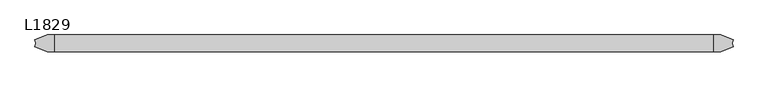
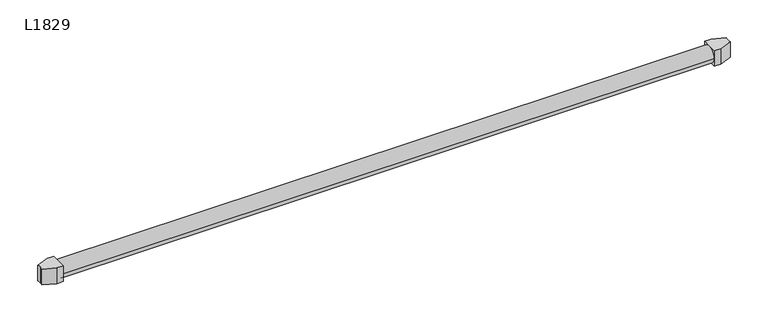
"""IFC4 building model written with IfcOpenShell, lengths in millimetres: proxy geometry, L1829."""

import ifcopenshell
import ifcopenshell.guid

model = None  # the IFC model being written
_history = None  # IfcOwnerHistory: only IFC2X3 demands one
_inside = {}  # id of a spatial element -> (the spatial element, [elements in it])
_under = {}  # id of a project, library or spatial element -> (it, [spatial elements below it])
_declared = {}  # id of a project -> (the project, [libraries it declares])
_typed = {}  # id of a type object -> (the type object, [elements of that type])
_made_of = {}  # id of a material, layer set ... -> (it, [elements and type objects made of it])


def new_model(schema):
    """Start an empty IFC model of exactly this schema.

    Asked for "IFC4X3", IfcOpenShell would pick the latest addendum, in which some entities
    have other attributes; the version numbers below select the first issue.
    IFC2X3 requires an IfcOwnerHistory on every rooted entity: one is made here for all.
    """
    global model, _history
    if schema == "IFC4X3":
        model = ifcopenshell.file(schema_version=(4, 3, 0, 0))
    else:
        model = ifcopenshell.file(schema=schema)
    _inside.clear()
    _under.clear()
    _declared.clear()
    _typed.clear()
    _made_of.clear()
    _history = None
    if model.schema == "IFC2X3":
        org = make("IfcOrganization", Name="unknown")
        user = make(
            "IfcPersonAndOrganization",
            ThePerson=make("IfcPerson", FamilyName="unknown"),
            TheOrganization=org,
        )
        app = make(
            "IfcApplication",
            ApplicationDeveloper=org,
            Version="unknown",
            ApplicationFullName="unknown",
            ApplicationIdentifier="unknown",
        )
        _history = make(
            "IfcOwnerHistory",
            OwningUser=user,
            OwningApplication=app,
            ChangeAction="ADDED",
            CreationDate=0,
        )
    return model


def make(cls, **values):
    """One entity of the class cls with the attributes given. An attribute that is None is left unset."""
    return model.create_entity(
        cls, **{name: value for name, value in values.items() if value is not None}
    )


def rooted(cls, **values):
    """An entity with a GlobalId (a new one), such as an element, a storey or a relation."""
    return make(cls, GlobalId=ifcopenshell.guid.new(), OwnerHistory=_history, **values)


def si_unit(unit_type, name, prefix=None):
    """IfcSIUnit, for example si_unit("LENGTHUNIT", "METRE", prefix="MILLI")."""
    return make("IfcSIUnit", UnitType=unit_type, Prefix=prefix, Name=name)


def assignment(units):
    """IfcUnitAssignment: the units of a project."""
    return None if units is None else make("IfcUnitAssignment", Units=units)


def point(xyz):
    """IfcCartesianPoint."""
    return None if xyz is None else make("IfcCartesianPoint", Coordinates=xyz)


def direction(xyz):
    """IfcDirection."""
    return None if xyz is None else make("IfcDirection", DirectionRatios=xyz)


def frame(location, z_axis=None, x_axis=None):
    """IfcAxis2Placement3D, a coordinate frame: its origin and axes. An axis left out is left unset."""
    return make(
        "IfcAxis2Placement3D",
        Location=point(location),
        Axis=direction(z_axis),
        RefDirection=direction(x_axis),
    )


def frame_2d(location, x_axis=None):
    """IfcAxis2Placement2D, a coordinate frame in the plane: its origin and x axis."""
    return make(
        "IfcAxis2Placement2D", Location=point(location), RefDirection=direction(x_axis)
    )


def origin():
    """The frame at (0, 0, 0) with its axes left unset."""
    return frame((0.0, 0.0, 0.0))


def origin_2d():
    """The frame at (0, 0) in the plane with its x axis left unset."""
    return frame_2d((0.0, 0.0))


def place(relative_to, where):
    """IfcLocalPlacement: puts the frame where relative to a parent placement (None: the world)."""
    return make(
        "IfcLocalPlacement", PlacementRelTo=relative_to, RelativePlacement=where
    )


def context(
    kind, dimensions, precision=None, world=None, true_north=None, identifier=None
):
    """IfcGeometricRepresentationContext, for example the 3D "Model" context."""
    return make(
        "IfcGeometricRepresentationContext",
        ContextIdentifier=identifier,
        ContextType=kind,
        CoordinateSpaceDimension=dimensions,
        Precision=precision,
        WorldCoordinateSystem=world,
        TrueNorth=true_north,
    )


def project(units=None, contexts=None):
    """IfcProject with its units and contexts."""
    return rooted(
        "IfcProject",
        Name="project",
        RepresentationContexts=contexts,
        UnitsInContext=assignment(units),
    )


def spatial(cls, under=None, at=None, **own):
    """A site, building, storey or space (cls), placed at a placement, below another one or the project."""
    s = rooted(cls, ObjectPlacement=at, **own)
    if under is not None:
        _under.setdefault(under.id(), (under, []))[1].append(s)
    return s


def polyline(points):
    """IfcPolyline through the points."""
    return make("IfcPolyline", Points=[point(p) for p in points])


def circle_curve(where, radius):
    """IfcCircle in the frame where."""
    return make("IfcCircle", Position=where, Radius=radius)


def trimmed(basis, trim1, trim2, sense, master):
    """IfcTrimmedCurve: the piece of a basis curve between two trims."""
    return make(
        "IfcTrimmedCurve",
        BasisCurve=basis,
        Trim1=trim1,
        Trim2=trim2,
        SenseAgreement=sense,
        MasterRepresentation=master,
    )


def segment(curve, same_sense, transition):
    """IfcCompositeCurveSegment."""
    return make(
        "IfcCompositeCurveSegment",
        Transition=transition,
        SameSense=same_sense,
        ParentCurve=curve,
    )


def composite_curve(segments, self_intersect=None):
    """IfcCompositeCurve: segments joined end to end."""
    return make("IfcCompositeCurve", Segments=segments, SelfIntersect=self_intersect)


def outline(outer, holes=None, kind="AREA"):
    """IfcArbitraryClosedProfileDef: a profile drawn as a closed curve; with holes, ...WithVoids."""
    if holes is None:
        return make("IfcArbitraryClosedProfileDef", ProfileType=kind, OuterCurve=outer)
    return make(
        "IfcArbitraryProfileDefWithVoids",
        ProfileType=kind,
        OuterCurve=outer,
        InnerCurves=holes,
    )


def extrude(swept, where, along, depth):
    """IfcExtrudedAreaSolid: the profile swept, set in the frame where, extruded along a direction by depth."""
    return make(
        "IfcExtrudedAreaSolid",
        SweptArea=swept,
        Position=where,
        ExtrudedDirection=direction(along),
        Depth=depth,
    )


def shape(context_of_items, identifier, shape_type, items):
    """IfcShapeRepresentation: the items that make up one representation, for example the "Body"."""
    return make(
        "IfcShapeRepresentation",
        ContextOfItems=context_of_items,
        RepresentationIdentifier=identifier,
        RepresentationType=shape_type,
        Items=items,
    )


def source(mapping_origin, context_of_items, identifier, shape_type, items):
    """IfcRepresentationMap: a shape defined once, which mapped items show again and again."""
    return make(
        "IfcRepresentationMap",
        MappingOrigin=mapping_origin,
        MappedRepresentation=shape(context_of_items, identifier, shape_type, items),
    )


def transform(
    local_origin,
    x_axis=None,
    y_axis=None,
    z_axis=None,
    scale=None,
    scale2=None,
    scale3=None,
    uniform=True,
):
    """IfcCartesianTransformationOperator3D, or its non-uniform kind. x_axis, y_axis, z_axis: its Axis1, 2, 3."""
    if uniform:
        return make(
            "IfcCartesianTransformationOperator3D",
            Axis1=direction(x_axis),
            Axis2=direction(y_axis),
            LocalOrigin=point(local_origin),
            Scale=scale,
            Axis3=direction(z_axis),
        )
    return make(
        "IfcCartesianTransformationOperator3DnonUniform",
        Axis1=direction(x_axis),
        Axis2=direction(y_axis),
        LocalOrigin=point(local_origin),
        Scale=scale,
        Axis3=direction(z_axis),
        Scale2=scale2,
        Scale3=scale3,
    )


def mapped(mapping_source, mapping_target):
    """IfcMappedItem: shows the shape of a source again, moved by a transform."""
    return make(
        "IfcMappedItem", MappingSource=mapping_source, MappingTarget=mapping_target
    )


def made_of(thing, what):
    """Note that an element or type object is made of a material, layer set ...; save() writes the relation."""
    if what is not None:
        _made_of.setdefault(what.id(), (what, []))[1].append(thing)
    return thing


def element(
    cls,
    number,
    at=None,
    inside=None,
    cuts=None,
    type_object=None,
    material=None,
    context=None,
    identifier="Body",
    shape_type=None,
    held_by="IfcProductDefinitionShape",
    body=None,
    shapes=None,
    **own,
):
    """One element of the class cls, such as IfcWall. Its Tag is "e" and its number.

    at: its placement. inside: the storey or other place that contains it. cuts: it is an
    opening in that element (IfcRelVoidsElement). A single representation is given by context,
    identifier, shape_type and body (its items); several are given by shapes. held_by: the class
    of the entity that holds the representations. save() writes the other relations.
    """
    e = rooted(cls, Tag="e%d" % number, ObjectPlacement=at, **own)
    if body is not None:
        shapes = [shape(context, identifier, shape_type, body)]
    if shapes is not None:
        e.Representation = make(held_by, Representations=shapes)
    if inside is not None:
        _inside.setdefault(inside.id(), (inside, []))[1].append(e)
    if cuts is not None:
        rooted(
            "IfcRelVoidsElement", RelatingBuildingElement=cuts, RelatedOpeningElement=e
        )
    if type_object is not None:
        _typed.setdefault(type_object.id(), (type_object, []))[1].append(e)
    return made_of(e, material)


def aggregate(whole, parts):
    """IfcRelAggregates: a whole, such as a stair, and the parts it consists of."""
    return rooted("IfcRelAggregates", RelatingObject=whole, RelatedObjects=parts)


def save(model, path):
    """Write the relations noted so far, then the file.

    IfcRelAggregates (storeys below a building ...), IfcRelContainedInSpatialStructure (elements
    in a storey), IfcRelDefinesByType, IfcRelAssociatesMaterial and IfcRelDeclares: one each for
    every whole, place, type object, material and project.
    """
    for whole, parts in _under.values():
        aggregate(whole, parts)
    for where, things in _inside.values():
        rooted(
            "IfcRelContainedInSpatialStructure",
            RelatedElements=things,
            RelatingStructure=where,
        )
    for kind, things in _typed.values():
        rooted("IfcRelDefinesByType", RelatedObjects=things, RelatingType=kind)
    for what, things in _made_of.values():
        rooted("IfcRelAssociatesMaterial", RelatedObjects=things, RelatingMaterial=what)
    for by, libraries in _declared.values():
        rooted("IfcRelDeclares", RelatingContext=by, RelatedDefinitions=libraries)
    model.write(path)


def l1829_a4bb0384(model_context):
    return source(origin(), model_context, "Body", "SweptSolid", [
        extrude(outline(composite_curve([segment(polyline([(71.4999948, 21.5), (71.4999948, -21.5), (54.4591948, -21.5), (22.4171288, -9.3788237)]), True, "CONTINUOUS"), segment(trimmed(circle_curve(origin_2d(), 24.3), [point((22.4171288, -9.3788237))], [point((24.3, 0.0))], True, "CARTESIAN"), True, "CONTINUOUS"), segment(trimmed(circle_curve(origin_2d(), 24.3), [point((24.3, 0.0))], [point((22.4171288, 9.3788237))], True, "CARTESIAN"), True, "CONTINUOUS"), segment(polyline([(22.4171288, 9.3788237), (54.4591948, 21.5), (71.4999948, 21.5)]), True, "CONTINUOUS")], self_intersect=False)), frame((0.0, 0.0, -21.5), z_axis=(0.0, 0.0, 1.0), x_axis=(1.0, 0.0, 0.0)), (0.0, 0.0, 1.0), 43.0),
        extrude(outline(composite_curve([segment(polyline([(1757.4999948, -21.5), (1757.4999948, 21.5), (1774.5407948, 21.5), (1806.5828608, 9.3788237)]), True, "CONTINUOUS"), segment(trimmed(circle_curve(frame_2d((1828.9999897, 0.0)), 24.3), [point((1806.5828608, 9.3788237))], [point((1804.6999897, 0.0))], True, "CARTESIAN"), True, "CONTINUOUS"), segment(trimmed(circle_curve(frame_2d((1828.9999897, 0.0)), 24.3), [point((1804.6999897, 0.0))], [point((1806.5828608, -9.3788237))], True, "CARTESIAN"), True, "CONTINUOUS"), segment(polyline([(1806.5828608, -9.3788237), (1774.5407948, -21.5), (1757.4999948, -21.5)]), True, "CONTINUOUS")], self_intersect=False)), frame((0.0, 0.0, -21.5), z_axis=(0.0, 0.0, 1.0), x_axis=(1.0, 0.0, 0.0)), (0.0, 0.0, 1.0), 43.0),
        extrude(outline(composite_curve([segment(trimmed(circle_curve(origin_2d(), 21.4), [point((-21.4, 0.0))], [point((21.4, 0.0))], False, "CARTESIAN"), True, "CONTINUOUS"), segment(trimmed(circle_curve(origin_2d(), 21.4), [point((21.4, 0.0))], [point((-21.4, 0.0))], False, "CARTESIAN"), True, "CONTINUOUS")], self_intersect=False)), frame((71.4999948, 0.0, 0.0), z_axis=(1.0, 0.0, 0.0), x_axis=(0.0, 1.0, 0.0)), (0.0, 0.0, 1.0), 1686.0),
    ])


if __name__ == "__main__":
    model = new_model("IFC4")
    model_context = context("Model", 3, world=origin())
    ifc_project = project(units=[si_unit("LENGTHUNIT", "METRE", prefix="MILLI")], contexts=[model_context])
    site = spatial("IfcSite", under=ifc_project)
    building = spatial("IfcBuilding", under=site)
    placement = place(None, origin())
    l1829_shape = l1829_a4bb0384(model_context)
    element("IfcBuildingElementProxy", 1, Name="L1829", ObjectType="L1829", at=placement, inside=building, context=model_context, shape_type="MappedRepresentation", body=[
        mapped(l1829_shape, transform((0.0, 0.0, 0.0), x_axis=(1.0, 0.0, 0.0), y_axis=(0.0, 1.0, 0.0), z_axis=(0.0, 0.0, 1.0))),
    ])
    save(model, "model.ifc")
